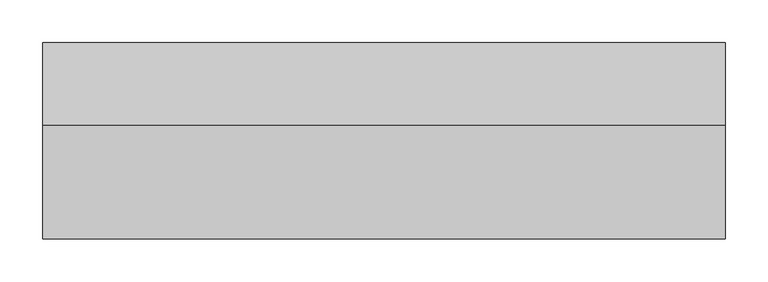
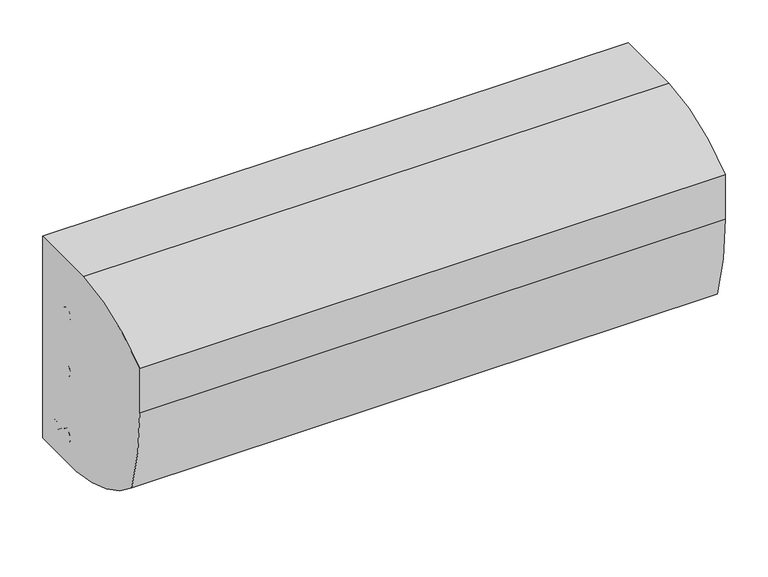
"""IFC4 building model written with IfcOpenShell, lengths in millimetres: proxy geometry."""

from ifc_helpers import new_model, si_unit, point, frame, frame_2d, origin, place, context, project, spatial, polyline, circle_curve, trimmed, segment, composite_curve, outline, extrude, source, transform, mapped, element, save


def mechanical_equipment_ee711e50(model_context):
    return source(origin(), model_context, "Body", "SweptSolid", [
        extrude(outline(composite_curve([segment(polyline([(0.0, 320.675), (0.0, 31.75), (-79.498281, 31.75)]), True, "CONTINUOUS"), segment(trimmed(circle_curve(frame_2d((-62.6450758, 252.4917495)), 221.3841694), [point((-79.498281, 31.75))], [point((-209.7261818, 87.0284643))], False, "CARTESIAN"), True, "CONTINUOUS"), segment(trimmed(circle_curve(frame_2d((157.0247406, 206.1930625)), 385.6247406), [point((-209.7261818, 87.0284643))], [point((-228.6, 206.1930625))], False, "CARTESIAN"), True, "CONTINUOUS"), segment(polyline([(-228.6, 206.1930625), (-228.6, 269.6930625)]), True, "CONTINUOUS"), segment(trimmed(circle_curve(frame_2d((-79.6391943, 80.1220449)), 241.094364), [point((-228.6, 269.6930625))], [point((-95.7875122, 320.675))], False, "CARTESIAN"), True, "CONTINUOUS"), segment(polyline([(-95.7875122, 320.675), (0.0, 320.675)]), True, "CONTINUOUS")], self_intersect=False)), frame((0.0, 0.0, 0.0), z_axis=(1.0, 0.0, 0.0), x_axis=(0.0, 1.0, 0.0)), (0.0, 0.0, 1.0), 793.75),
        extrude(outline(composite_curve([segment(trimmed(circle_curve(frame_2d((-31.75, 69.85)), 6.35), [point((-38.1, 69.85))], [point((-25.4, 69.85))], False, "CARTESIAN"), True, "CONTINUOUS"), segment(trimmed(circle_curve(frame_2d((-31.75, 69.85)), 6.35), [point((-25.4, 69.85))], [point((-38.1, 69.85))], False, "CARTESIAN"), True, "CONTINUOUS")], self_intersect=False)), frame((0.0, 0.0, 0.0), z_axis=(1.0, 0.0, 0.0), x_axis=(0.0, 1.0, 0.0)), (0.0, 0.0, 1.0), 11.177312),
        extrude(outline(composite_curve([segment(trimmed(circle_curve(frame_2d((-57.15, 69.85)), 8.73125), [point((-65.88125, 69.85))], [point((-48.41875, 69.85))], False, "CARTESIAN"), True, "CONTINUOUS"), segment(trimmed(circle_curve(frame_2d((-57.15, 69.85)), 8.73125), [point((-48.41875, 69.85))], [point((-65.88125, 69.85))], False, "CARTESIAN"), True, "CONTINUOUS")], self_intersect=False)), frame((0.0, 0.0, 0.0), z_axis=(1.0, 0.0, 0.0), x_axis=(0.0, 1.0, 0.0)), (0.0, 0.0, 1.0), 11.177312),
        extrude(outline(composite_curve([segment(trimmed(circle_curve(frame_2d((-57.2377924, 164.1341355)), 8.73125), [point((-65.9690424, 164.1341355))], [point((-48.5065424, 164.1341355))], False, "CARTESIAN"), True, "CONTINUOUS"), segment(trimmed(circle_curve(frame_2d((-57.2377924, 164.1341355)), 8.73125), [point((-48.5065424, 164.1341355))], [point((-65.9690424, 164.1341355))], False, "CARTESIAN"), True, "CONTINUOUS")], self_intersect=False)), frame((0.0, 0.0, 0.0), z_axis=(1.0, 0.0, 0.0), x_axis=(0.0, 1.0, 0.0)), (0.0, 0.0, 1.0), 11.177312),
        extrude(outline(composite_curve([segment(trimmed(circle_curve(frame_2d((-57.15, 244.1572139)), 8.73125), [point((-65.88125, 244.1572139))], [point((-48.41875, 244.1572139))], False, "CARTESIAN"), True, "CONTINUOUS"), segment(trimmed(circle_curve(frame_2d((-57.15, 244.1572139)), 8.73125), [point((-48.41875, 244.1572139))], [point((-65.88125, 244.1572139))], False, "CARTESIAN"), True, "CONTINUOUS")], self_intersect=False)), frame((0.0, 0.0, 0.0), z_axis=(1.0, 0.0, 0.0), x_axis=(0.0, 1.0, 0.0)), (0.0, 0.0, 1.0), 11.177312),
    ])


if __name__ == "__main__":
    model = new_model("IFC4")
    model_context = context("Model", 3, world=origin())
    ifc_project = project(units=[si_unit("LENGTHUNIT", "METRE", prefix="MILLI")], contexts=[model_context])
    site = spatial("IfcSite", under=ifc_project)
    building = spatial("IfcBuilding", under=site)
    placement = place(None, origin())
    mechanical_equipment_shape = mechanical_equipment_ee711e50(model_context)
    element("IfcBuildingElementProxy", 1, Name="Mechanical Equipment", at=placement, inside=building, context=model_context, shape_type="MappedRepresentation", body=[
        mapped(mechanical_equipment_shape, transform((0.0, 0.0, 0.0), x_axis=(1.0, 0.0, 0.0), y_axis=(0.0, 1.0, 0.0), z_axis=(0.0, 0.0, 1.0))),
    ])
    save(model, "model.ifc")
